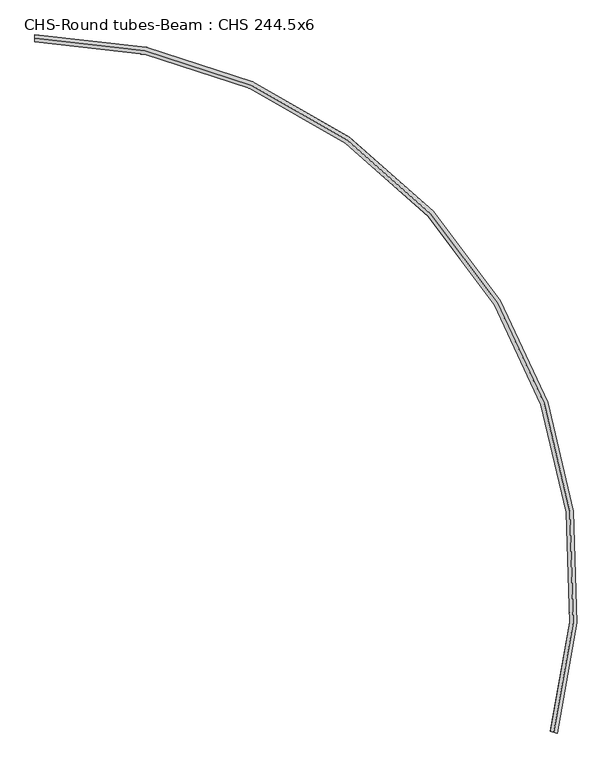
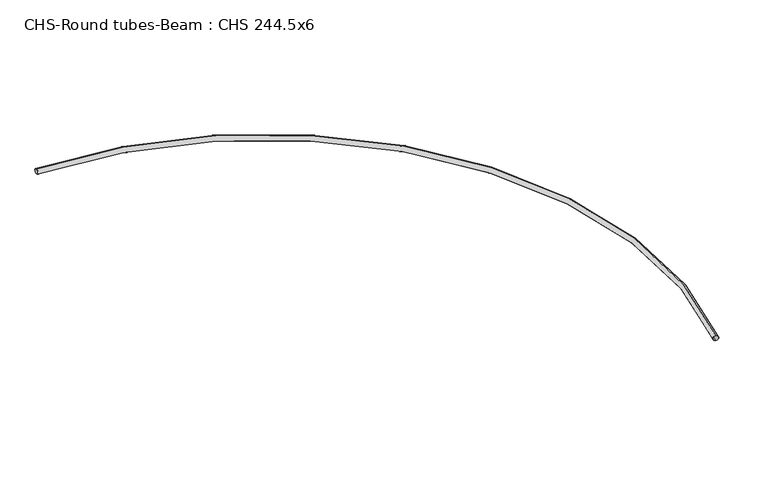
"""IFC4 building model written with IfcOpenShell, lengths in millimetres: beam geometry, CHS-Round tubes-Beam : CHS 244.5x6."""

from ifc_helpers import new_model, si_unit, point, frame, origin, place, context, project, spatial, circle_curve, ellipse_curve, trimmed, source, transform, mapped, element, save
from ifc_brep_helpers import plane_surface, revolved_surface, advanced_brep


def chs_round_tubes_beam_chs_244_5x6_35bceab2(model_context):
    return source(origin(), model_context, "Body", "AdvancedBrep", [
        advanced_brep(
        [(18017.9787489, -23880.8807145, 122.25), (18017.9787489, -23880.8807145, -122.25), (18017.9787489, -23880.8807145, 116.25), (18017.9787489, -23880.8807145, -116.25), (142.1714118, -0.5393681, 122.25), (142.1714118, -0.5393681, -122.25), (142.1714118, -0.5393681, 116.25), (142.1714118, -0.5393681, -116.25)],
        [
            (0, 1, circle_curve(frame((18017.9787489, -23880.8807145, 0.0), z_axis=(-0.2744852186215764, -0.9615913189906955, 0.0), x_axis=(0.0, 0.0, -1.0)), 122.25)),
            (1, 0, circle_curve(frame((18017.9787489, -23880.8807145, 0.0), z_axis=(-0.2744852186215764, -0.9615913189906955, 0.0), x_axis=(0.0, 0.0, -1.0)), 122.25)),
            (2, 3, circle_curve(frame((18017.9787489, -23880.8807145, 0.0), z_axis=(0.2744852186215764, 0.9615913189906955, 0.0), x_axis=(0.0, 0.0, -1.0)), 116.25)),
            (3, 2, circle_curve(frame((18017.9787489, -23880.8807145, 0.0), z_axis=(0.2744852186215764, 0.9615913189906955, 0.0), x_axis=(0.0, 0.0, -1.0)), 116.25)),
            (4, 5, circle_curve(frame((142.1714118, -0.5393681, 0.0), z_axis=(-0.9999712147679649, 0.007587465682336464, 0.0), x_axis=(0.0, 0.0, -1.0)), 122.25)),
            (5, 4, circle_curve(frame((142.1714118, -0.5393681, 0.0), z_axis=(-0.9999712147679649, 0.0075874656823364806, 0.0), x_axis=(0.0, 0.0, -1.0)), 122.25)),
            (6, 7, circle_curve(frame((142.1714118, -0.5393681, 0.0), z_axis=(0.9999712147679649, -0.007587465682336466, 0.0), x_axis=(0.0, 0.0, -1.0)), 116.25)),
            (7, 6, circle_curve(frame((142.1714118, -0.5393681, 0.0), z_axis=(0.9999712147679649, -0.00758746568233648, 0.0), x_axis=(0.0, 0.0, -1.0)), 116.25)),
            (0, 4, circle_curve(frame((0.0, -18737.6678564, 122.25), z_axis=(0.0, 0.0, 1.0), x_axis=(0.0, 1.0, 0.0)), 18737.6678564)),
            (5, 1, circle_curve(frame((0.0, -18737.6678564, -122.25), z_axis=(0.0, 0.0, -1.0), x_axis=(0.0, 1.0, 0.0)), 18737.6678564)),
            (2, 6, circle_curve(frame((0.0, -18737.6678564, 116.25), z_axis=(0.0, 0.0, 1.0), x_axis=(0.0, 1.0, 0.0)), 18737.6678564)),
            (7, 3, circle_curve(frame((0.0, -18737.6678564, -116.25), z_axis=(0.0, 0.0, -1.0), x_axis=(0.0, 1.0, 0.0)), 18737.6678564)),
        ],
        [
            plane_surface(frame((18017.9787489, -23880.8807145, 0.0), z_axis=(-0.2744852186215764, -0.9615913189906955, 0.0), x_axis=(-0.9615913189906955, 0.2744852186215764, 0.0))),
            plane_surface(frame((142.1714118, -0.5393681, 0.0), z_axis=(-0.9999712147679649, 0.007587465682336423, 0.0), x_axis=(-0.007587465682336423, -0.9999712147679649, 0.0))),
            revolved_surface(trimmed(ellipse_curve(frame((0.0, 0.0, 0.0), z_axis=(-1.0, 0.0, 0.0), x_axis=(0.0, 0.0, -1.0)), 122.25, 122.25), [point((0.0, 0.0, -122.25))], [point((0.0, 0.0, 122.25))], True, "CARTESIAN"), (0.0, -18737.6678564, 0.0), (0.0, 0.0, -1.0)),
            revolved_surface(trimmed(ellipse_curve(frame((0.0, 0.0, 0.0), z_axis=(-1.0, 0.0, 0.0), x_axis=(0.0, 0.0, -1.0)), 122.25, 122.25), [point((0.0, 0.0, 122.25))], [point((0.0, 0.0, -122.25))], True, "CARTESIAN"), (0.0, -18737.6678564, 0.0), (0.0, 0.0, -1.0)),
            revolved_surface(trimmed(ellipse_curve(frame((0.0, 0.0, 0.0), z_axis=(1.0, 0.0, 0.0), x_axis=(0.0, 0.0, -1.0)), 116.25, 116.25), [point((0.0, 0.0, -116.25))], [point((0.0, 0.0, 116.25))], True, "CARTESIAN"), (0.0, -18737.6678564, 0.0), (0.0, 0.0, -1.0)),
            revolved_surface(trimmed(ellipse_curve(frame((0.0, 0.0, 0.0), z_axis=(1.0, 0.0, 0.0), x_axis=(0.0, 0.0, -1.0)), 116.25, 116.25), [point((0.0, 0.0, 116.25))], [point((0.0, 0.0, -116.25))], True, "CARTESIAN"), (0.0, -18737.6678564, 0.0), (0.0, 0.0, -1.0)),
        ],
        [
            (0, [[1, 2], [3, 4]]),
            (1, [[5, 6], [7, 8]]),
            (2, [[-1, 9, -6, 10]]),
            (3, [[-2, -10, -5, -9]]),
            (4, [[-3, 11, -8, 12]]),
            (5, [[-4, -12, -7, -11]]),
        ],
    ),
    ])


if __name__ == "__main__":
    model = new_model("IFC4")
    model_context = context("Model", 3, world=origin())
    ifc_project = project(units=[si_unit("LENGTHUNIT", "METRE", prefix="MILLI")], contexts=[model_context])
    site = spatial("IfcSite", under=ifc_project)
    building = spatial("IfcBuilding", under=site)
    placement = place(None, origin())
    chs_round_tubes_beam_chs_244_5x6_shape = chs_round_tubes_beam_chs_244_5x6_35bceab2(model_context)
    element("IfcBeam", 1, ObjectType="CHS-Round tubes-Beam : CHS 244.5x6", at=placement, inside=building, context=model_context, shape_type="MappedRepresentation", body=[
        mapped(chs_round_tubes_beam_chs_244_5x6_shape, transform((0.0, 0.0, 0.0), x_axis=(1.0, 0.0, 0.0), y_axis=(0.0, 1.0, 0.0), z_axis=(0.0, 0.0, 1.0))),
    ])
    save(model, "model.ifc")
